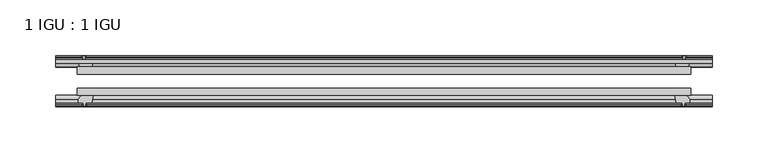
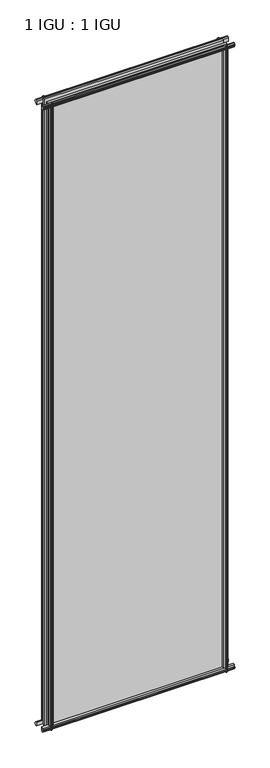
"""IFC4 building model written with IfcOpenShell, lengths in millimetres: plate geometry, 1 IGU : 1 IGU."""

from ifc_helpers import new_model, si_unit, frame, origin, place, context, project, spatial, polyline, outline, extrude, source, transform, mapped, element, save


def plate_1_igu_1_igu_8da1c7e2(model_context):
    return source(origin(), model_context, "Body", "SweptSolid", [
        extrude(outline(polyline([(-273.8239964, -38.6468937), (273.8239964, -38.6468937), (273.8239964, -44.9460938), (-273.8239964, -44.9460938), (-273.8239964, -38.6468937)])), frame((0.0, 0.0, -12.7), z_axis=(0.0, 0.0, 1.0), x_axis=(1.0, 0.0, 0.0)), (0.0, 0.0, 1.0), 2019.2999999),
        extrude(outline(polyline([(-273.8239964, -19.5460937), (273.8239964, -19.5460937), (273.8239964, -25.8960938), (-273.8239964, -25.8960938), (-273.8239964, -19.5460937)])), frame((0.0, 0.0, -12.7), z_axis=(0.0, 0.0, 1.0), x_axis=(1.0, 0.0, 0.0)), (0.0, 0.0, 1.0), 2019.2999999),
        extrude(outline(polyline([(-44.9460937, 1.7177181), (-44.9460937, -9.1036578), (-48.3496937, -11.938), (-51.2960937, -11.938), (-51.2960937, -7.493), (-53.6762907, -7.112), (-53.2163575, -8.5275291), (-54.0175717, -8.5275291), (-54.7250937, -6.35), (-54.0175717, -4.1724709), (-53.2163575, -4.1724709), (-53.6762907, -5.588), (-51.2960937, -5.207), (-51.2960937, 0.0), (-44.9460937, 1.7177181)])), frame((-292.8739964, 0.0, 0.0), z_axis=(1.0, 0.0, 0.0), x_axis=(0.0, 1.0, 0.0)), (0.0, 0.0, 1.0), 585.7479928),
        extrude(outline(polyline([(-13.1960937, -12.4587), (-16.1424937, -12.4587), (-19.5460937, -9.6243578), (-19.5460937, 1.1970181), (-13.1960937, -0.5207), (-13.1960937, -5.7277), (-10.8158968, -6.1087), (-11.27583, -4.6931709), (-10.4746158, -4.6931709), (-9.7670937, -6.8707), (-10.4746158, -9.0482291), (-11.27583, -9.0482291), (-10.8158968, -7.6327), (-13.1960937, -8.0137), (-13.1960937, -12.4587)])), frame((-292.8739964, 0.0, 0.0), z_axis=(1.0, 0.0, 0.0), x_axis=(0.0, 1.0, 0.0)), (0.0, 0.0, 1.0), 585.7479928),
        extrude(outline(polyline([(-51.2960937, 2005.8379999), (-48.3496937, 2005.8379999), (-44.9460937, 2003.0036577), (-44.9460937, 1992.1822818), (-51.2960937, 1993.8999999), (-51.2960937, 1999.1069999), (-53.6762907, 1999.4879999), (-53.2163575, 1998.0724708), (-54.0175717, 1998.0724708), (-54.7250937, 2000.2499999), (-54.0175717, 2002.4275289), (-53.2163575, 2002.4275289), (-53.6762907, 2001.0119999), (-51.2960937, 2001.3929999), (-51.2960937, 2005.8379999)])), frame((-292.8739964, 0.0, 0.0), z_axis=(1.0, 0.0, 0.0), x_axis=(0.0, 1.0, 0.0)), (0.0, 0.0, 1.0), 585.7479928),
        extrude(outline(polyline([(-19.5460937, 1992.7029818), (-19.5460937, 2003.5243577), (-16.1424937, 2006.3586999), (-13.1960937, 2006.3586999), (-13.1960937, 2001.9136999), (-10.8158968, 2001.5326999), (-11.27583, 2002.9482289), (-10.4746158, 2002.9482289), (-9.7670937, 2000.7706999), (-10.4746158, 1998.5931708), (-11.27583, 1998.5931708), (-10.8158968, 2000.0086999), (-13.1960937, 1999.6276999), (-13.1960937, 1994.4206999), (-19.5460937, 1992.7029818)])), frame((-292.8739964, 0.0, 0.0), z_axis=(1.0, 0.0, 0.0), x_axis=(0.0, 1.0, 0.0)), (0.0, 0.0, 1.0), 585.7479928),
        extrude(outline(polyline([(259.9269783, -19.5460938), (261.6446964, -13.1960938), (266.8516964, -13.1960938), (267.2326964, -10.8158968), (265.8171674, -11.27583), (265.8171674, -10.4746158), (267.9946964, -9.7670938), (270.1722255, -10.4746158), (270.1722255, -11.27583), (268.7566964, -10.8158968), (269.1376964, -13.1960938), (273.5826964, -13.1960938), (273.5826964, -16.1424938), (270.7483542, -19.5460938), (259.9269783, -19.5460938)])), frame((0.0, 0.0, -12.7), z_axis=(0.0, 0.0, 1.0), x_axis=(1.0, 0.0, 0.0)), (0.0, 0.0, 1.0), 2019.3),
        extrude(outline(polyline([(259.4062783, -44.9460938), (270.2276542, -44.9460938), (273.0619964, -48.3496938), (273.0619964, -51.2960938), (268.6169964, -51.2960938), (268.2359964, -53.6762907), (269.6515255, -53.2163575), (269.6515255, -54.0175717), (267.4739964, -54.7250938), (265.2964674, -54.0175717), (265.2964674, -53.2163575), (266.7119964, -53.6762907), (266.3309964, -51.2960938), (261.1239964, -51.2960938), (259.4062783, -44.9460938)])), frame((0.0, 0.0, -12.7), z_axis=(0.0, 0.0, 1.0), x_axis=(1.0, 0.0, 0.0)), (0.0, 0.0, 1.0), 2019.3),
        extrude(outline(polyline([(-267.9946964, -9.7670937), (-265.8171674, -10.4746158), (-265.8171674, -11.27583), (-267.2326964, -10.8158968), (-266.8516964, -13.1960937), (-261.6446964, -13.1960937), (-259.9269783, -19.5460937), (-270.7483542, -19.5460937), (-273.5826964, -16.1424937), (-273.5826964, -13.1960937), (-269.1376964, -13.1960937), (-268.7566964, -10.8158968), (-270.1722255, -11.27583), (-270.1722255, -10.4746158), (-267.9946964, -9.7670937)])), frame((0.0, 0.0, -12.7), z_axis=(0.0, 0.0, 1.0), x_axis=(1.0, 0.0, 0.0)), (0.0, 0.0, 1.0), 2019.3),
        extrude(outline(polyline([(-273.0619964, -48.3496937), (-270.2276542, -44.9460937), (-259.4062783, -44.9460937), (-261.1239964, -51.2960937), (-266.3309964, -51.2960937), (-266.7119964, -53.6762907), (-265.2964674, -53.2163575), (-265.2964674, -54.0175717), (-267.4739964, -54.7250937), (-269.6515255, -54.0175717), (-269.6515255, -53.2163575), (-268.2359964, -53.6762907), (-268.6169964, -51.2960937), (-273.0619964, -51.2960937), (-273.0619964, -48.3496937)])), frame((0.0, 0.0, -12.7), z_axis=(0.0, 0.0, 1.0), x_axis=(1.0, 0.0, 0.0)), (0.0, 0.0, 1.0), 2019.3),
    ])


if __name__ == "__main__":
    model = new_model("IFC4")
    model_context = context("Model", 3, world=origin())
    ifc_project = project(units=[si_unit("LENGTHUNIT", "METRE", prefix="MILLI")], contexts=[model_context])
    site = spatial("IfcSite", under=ifc_project)
    building = spatial("IfcBuilding", under=site)
    placement = place(None, origin())
    plate_1_igu_1_igu_shape = plate_1_igu_1_igu_8da1c7e2(model_context)
    element("IfcPlate", 1, ObjectType="1 IGU : 1 IGU", at=placement, inside=building, context=model_context, shape_type="MappedRepresentation", body=[
        mapped(plate_1_igu_1_igu_shape, transform((0.0, 0.0, 0.0), x_axis=(1.0, 0.0, 0.0), y_axis=(0.0, 1.0, 0.0), z_axis=(0.0, 0.0, 1.0))),
    ])
    save(model, "model.ifc")
